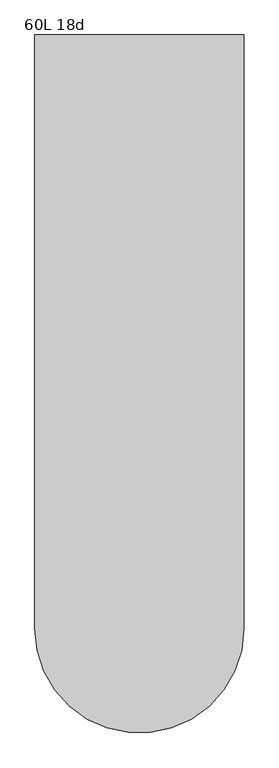
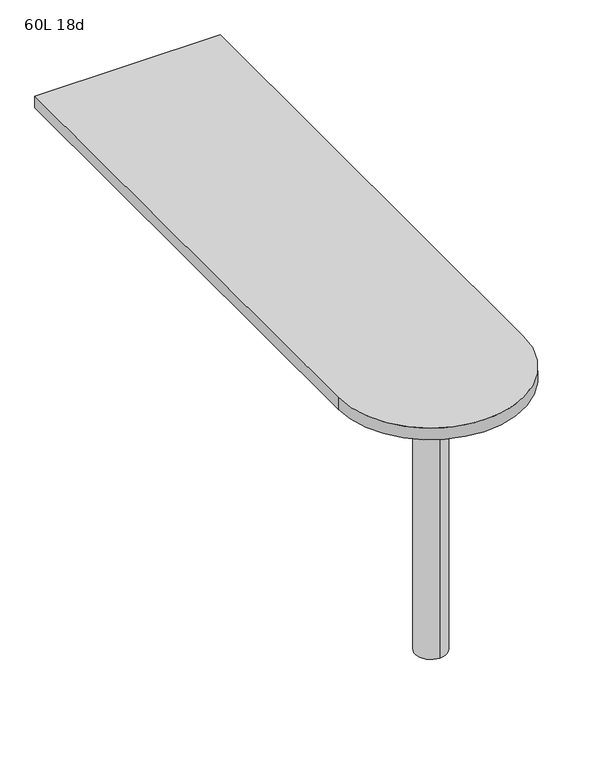
"""IFC4 building model written with IfcOpenShell, lengths in millimetres: furniture geometry, 60L 18d."""

import ifcopenshell
import ifcopenshell.guid

model = None  # the IFC model being written
_history = None  # IfcOwnerHistory: only IFC2X3 demands one
_inside = {}  # id of a spatial element -> (the spatial element, [elements in it])
_under = {}  # id of a project, library or spatial element -> (it, [spatial elements below it])
_declared = {}  # id of a project -> (the project, [libraries it declares])
_typed = {}  # id of a type object -> (the type object, [elements of that type])
_made_of = {}  # id of a material, layer set ... -> (it, [elements and type objects made of it])


def new_model(schema):
    """Start an empty IFC model of exactly this schema.

    Asked for "IFC4X3", IfcOpenShell would pick the latest addendum, in which some entities
    have other attributes; the version numbers below select the first issue.
    IFC2X3 requires an IfcOwnerHistory on every rooted entity: one is made here for all.
    """
    global model, _history
    if schema == "IFC4X3":
        model = ifcopenshell.file(schema_version=(4, 3, 0, 0))
    else:
        model = ifcopenshell.file(schema=schema)
    _inside.clear()
    _under.clear()
    _declared.clear()
    _typed.clear()
    _made_of.clear()
    _history = None
    if model.schema == "IFC2X3":
        org = make("IfcOrganization", Name="unknown")
        user = make(
            "IfcPersonAndOrganization",
            ThePerson=make("IfcPerson", FamilyName="unknown"),
            TheOrganization=org,
        )
        app = make(
            "IfcApplication",
            ApplicationDeveloper=org,
            Version="unknown",
            ApplicationFullName="unknown",
            ApplicationIdentifier="unknown",
        )
        _history = make(
            "IfcOwnerHistory",
            OwningUser=user,
            OwningApplication=app,
            ChangeAction="ADDED",
            CreationDate=0,
        )
    return model


def make(cls, **values):
    """One entity of the class cls with the attributes given. An attribute that is None is left unset."""
    return model.create_entity(
        cls, **{name: value for name, value in values.items() if value is not None}
    )


def rooted(cls, **values):
    """An entity with a GlobalId (a new one), such as an element, a storey or a relation."""
    return make(cls, GlobalId=ifcopenshell.guid.new(), OwnerHistory=_history, **values)


def si_unit(unit_type, name, prefix=None):
    """IfcSIUnit, for example si_unit("LENGTHUNIT", "METRE", prefix="MILLI")."""
    return make("IfcSIUnit", UnitType=unit_type, Prefix=prefix, Name=name)


def assignment(units):
    """IfcUnitAssignment: the units of a project."""
    return None if units is None else make("IfcUnitAssignment", Units=units)


def point(xyz):
    """IfcCartesianPoint."""
    return None if xyz is None else make("IfcCartesianPoint", Coordinates=xyz)


def direction(xyz):
    """IfcDirection."""
    return None if xyz is None else make("IfcDirection", DirectionRatios=xyz)


def frame(location, z_axis=None, x_axis=None):
    """IfcAxis2Placement3D, a coordinate frame: its origin and axes. An axis left out is left unset."""
    return make(
        "IfcAxis2Placement3D",
        Location=point(location),
        Axis=direction(z_axis),
        RefDirection=direction(x_axis),
    )


def frame_2d(location, x_axis=None):
    """IfcAxis2Placement2D, a coordinate frame in the plane: its origin and x axis."""
    return make(
        "IfcAxis2Placement2D", Location=point(location), RefDirection=direction(x_axis)
    )


def origin():
    """The frame at (0, 0, 0) with its axes left unset."""
    return frame((0.0, 0.0, 0.0))


def place(relative_to, where):
    """IfcLocalPlacement: puts the frame where relative to a parent placement (None: the world)."""
    return make(
        "IfcLocalPlacement", PlacementRelTo=relative_to, RelativePlacement=where
    )


def context(
    kind, dimensions, precision=None, world=None, true_north=None, identifier=None
):
    """IfcGeometricRepresentationContext, for example the 3D "Model" context."""
    return make(
        "IfcGeometricRepresentationContext",
        ContextIdentifier=identifier,
        ContextType=kind,
        CoordinateSpaceDimension=dimensions,
        Precision=precision,
        WorldCoordinateSystem=world,
        TrueNorth=true_north,
    )


def project(units=None, contexts=None):
    """IfcProject with its units and contexts."""
    return rooted(
        "IfcProject",
        Name="project",
        RepresentationContexts=contexts,
        UnitsInContext=assignment(units),
    )


def spatial(cls, under=None, at=None, **own):
    """A site, building, storey or space (cls), placed at a placement, below another one or the project."""
    s = rooted(cls, ObjectPlacement=at, **own)
    if under is not None:
        _under.setdefault(under.id(), (under, []))[1].append(s)
    return s


def polyline(points):
    """IfcPolyline through the points."""
    return make("IfcPolyline", Points=[point(p) for p in points])


def circle_curve(where, radius):
    """IfcCircle in the frame where."""
    return make("IfcCircle", Position=where, Radius=radius)


def trimmed(basis, trim1, trim2, sense, master):
    """IfcTrimmedCurve: the piece of a basis curve between two trims."""
    return make(
        "IfcTrimmedCurve",
        BasisCurve=basis,
        Trim1=trim1,
        Trim2=trim2,
        SenseAgreement=sense,
        MasterRepresentation=master,
    )


def segment(curve, same_sense, transition):
    """IfcCompositeCurveSegment."""
    return make(
        "IfcCompositeCurveSegment",
        Transition=transition,
        SameSense=same_sense,
        ParentCurve=curve,
    )


def composite_curve(segments, self_intersect=None):
    """IfcCompositeCurve: segments joined end to end."""
    return make("IfcCompositeCurve", Segments=segments, SelfIntersect=self_intersect)


def outline(outer, holes=None, kind="AREA"):
    """IfcArbitraryClosedProfileDef: a profile drawn as a closed curve; with holes, ...WithVoids."""
    if holes is None:
        return make("IfcArbitraryClosedProfileDef", ProfileType=kind, OuterCurve=outer)
    return make(
        "IfcArbitraryProfileDefWithVoids",
        ProfileType=kind,
        OuterCurve=outer,
        InnerCurves=holes,
    )


def extrude(swept, where, along, depth):
    """IfcExtrudedAreaSolid: the profile swept, set in the frame where, extruded along a direction by depth."""
    return make(
        "IfcExtrudedAreaSolid",
        SweptArea=swept,
        Position=where,
        ExtrudedDirection=direction(along),
        Depth=depth,
    )


def shape(context_of_items, identifier, shape_type, items):
    """IfcShapeRepresentation: the items that make up one representation, for example the "Body"."""
    return make(
        "IfcShapeRepresentation",
        ContextOfItems=context_of_items,
        RepresentationIdentifier=identifier,
        RepresentationType=shape_type,
        Items=items,
    )


def source(mapping_origin, context_of_items, identifier, shape_type, items):
    """IfcRepresentationMap: a shape defined once, which mapped items show again and again."""
    return make(
        "IfcRepresentationMap",
        MappingOrigin=mapping_origin,
        MappedRepresentation=shape(context_of_items, identifier, shape_type, items),
    )


def transform(
    local_origin,
    x_axis=None,
    y_axis=None,
    z_axis=None,
    scale=None,
    scale2=None,
    scale3=None,
    uniform=True,
):
    """IfcCartesianTransformationOperator3D, or its non-uniform kind. x_axis, y_axis, z_axis: its Axis1, 2, 3."""
    if uniform:
        return make(
            "IfcCartesianTransformationOperator3D",
            Axis1=direction(x_axis),
            Axis2=direction(y_axis),
            LocalOrigin=point(local_origin),
            Scale=scale,
            Axis3=direction(z_axis),
        )
    return make(
        "IfcCartesianTransformationOperator3DnonUniform",
        Axis1=direction(x_axis),
        Axis2=direction(y_axis),
        LocalOrigin=point(local_origin),
        Scale=scale,
        Axis3=direction(z_axis),
        Scale2=scale2,
        Scale3=scale3,
    )


def mapped(mapping_source, mapping_target):
    """IfcMappedItem: shows the shape of a source again, moved by a transform."""
    return make(
        "IfcMappedItem", MappingSource=mapping_source, MappingTarget=mapping_target
    )


def made_of(thing, what):
    """Note that an element or type object is made of a material, layer set ...; save() writes the relation."""
    if what is not None:
        _made_of.setdefault(what.id(), (what, []))[1].append(thing)
    return thing


def element(
    cls,
    number,
    at=None,
    inside=None,
    cuts=None,
    type_object=None,
    material=None,
    context=None,
    identifier="Body",
    shape_type=None,
    held_by="IfcProductDefinitionShape",
    body=None,
    shapes=None,
    **own,
):
    """One element of the class cls, such as IfcWall. Its Tag is "e" and its number.

    at: its placement. inside: the storey or other place that contains it. cuts: it is an
    opening in that element (IfcRelVoidsElement). A single representation is given by context,
    identifier, shape_type and body (its items); several are given by shapes. held_by: the class
    of the entity that holds the representations. save() writes the other relations.
    """
    e = rooted(cls, Tag="e%d" % number, ObjectPlacement=at, **own)
    if body is not None:
        shapes = [shape(context, identifier, shape_type, body)]
    if shapes is not None:
        e.Representation = make(held_by, Representations=shapes)
    if inside is not None:
        _inside.setdefault(inside.id(), (inside, []))[1].append(e)
    if cuts is not None:
        rooted(
            "IfcRelVoidsElement", RelatingBuildingElement=cuts, RelatedOpeningElement=e
        )
    if type_object is not None:
        _typed.setdefault(type_object.id(), (type_object, []))[1].append(e)
    return made_of(e, material)


def aggregate(whole, parts):
    """IfcRelAggregates: a whole, such as a stair, and the parts it consists of."""
    return rooted("IfcRelAggregates", RelatingObject=whole, RelatedObjects=parts)


def save(model, path):
    """Write the relations noted so far, then the file.

    IfcRelAggregates (storeys below a building ...), IfcRelContainedInSpatialStructure (elements
    in a storey), IfcRelDefinesByType, IfcRelAssociatesMaterial and IfcRelDeclares: one each for
    every whole, place, type object, material and project.
    """
    for whole, parts in _under.values():
        aggregate(whole, parts)
    for where, things in _inside.values():
        rooted(
            "IfcRelContainedInSpatialStructure",
            RelatedElements=things,
            RelatingStructure=where,
        )
    for kind, things in _typed.values():
        rooted("IfcRelDefinesByType", RelatedObjects=things, RelatingType=kind)
    for what, things in _made_of.values():
        rooted("IfcRelAssociatesMaterial", RelatedObjects=things, RelatingMaterial=what)
    for by, libraries in _declared.values():
        rooted("IfcRelDeclares", RelatingContext=by, RelatedDefinitions=libraries)
    model.write(path)


def plane_surface(at):
    """IfcPlane: the flat surface through the origin of the frame at, square to its z axis."""
    return make("IfcPlane", Position=at)


def cylinder_surface(at, radius):
    """IfcCylindricalSurface: all points at the distance radius from the z axis of the frame at."""
    return make("IfcCylindricalSurface", Position=at, Radius=radius)


def advanced_brep(points, edges, surfaces, faces):
    """IfcAdvancedBrep: a solid bounded by faces that lie on surfaces and meet in shared edges.

    An edge is (start, end): straight between two places in points (the first is 0);
    or (start, end, curve); or (start, end, curve, False) where it runs against its curve.
    A face is (place in surfaces, loops), or (place, loops, False) where it looks against
    its surface's normal. A loop lists edges by number (the first is 1), with a minus sign
    where the edge is run from its end to its start. The first loop is the outer one.
    """
    corners = [point(p) for p in points]
    vertices = [make("IfcVertexPoint", VertexGeometry=c) for c in corners]
    made = []
    for start, end, *more in edges:
        made.append(
            make(
                "IfcEdgeCurve",
                EdgeStart=vertices[start],
                EdgeEnd=vertices[end],
                EdgeGeometry=more[0] if more else make("IfcPolyline", Points=[corners[start], corners[end]]),
                SameSense=more[1] if len(more) > 1 else True,
            )
        )
    hull = []
    for where, loops, *sense in faces:
        bounds = []
        for j, loop in enumerate(loops):
            ring = [make("IfcOrientedEdge", EdgeElement=made[abs(k) - 1], Orientation=k > 0) for k in loop]
            bounds.append(
                make(
                    "IfcFaceOuterBound" if j == 0 else "IfcFaceBound",
                    Bound=make("IfcEdgeLoop", EdgeList=ring),
                    Orientation=True,
                )
            )
        hull.append(make("IfcAdvancedFace", Bounds=bounds, FaceSurface=surfaces[where], SameSense=sense[0] if sense else True))
    return make("IfcAdvancedBrep", Outer=make("IfcClosedShell", CfsFaces=hull))


def furniture_60l_18d_586fcb49(model_context):
    return source(origin(), model_context, "Body", "SolidModel", [
        advanced_brep(
        [(0.0, -495.3, 706.4375), (0.0, -571.5, 706.4375), (0.0, -533.4, 706.4375), (0.0, -495.3, 0.0), (0.0, -571.5, 0.0), (0.0, -533.4, 0.0)],
        [
            (0, 1, circle_curve(frame((0.0, -533.4, 706.4375), z_axis=(0.0, 0.0, 1.0), x_axis=(0.0, -1.0, 0.0)), 38.1)),
            (1, 2),
            (2, 0),
            (1, 0, circle_curve(frame((0.0, -533.4, 706.4375), z_axis=(0.0, 0.0, 1.0), x_axis=(0.0, -1.0, 0.0)), 38.1)),
            (3, 4, circle_curve(frame((0.0, -533.4, 0.0), z_axis=(0.0, 0.0, 1.0), x_axis=(0.0, -1.0, 0.0)), 38.1)),
            (4, 1),
            (0, 3),
            (4, 3, circle_curve(frame((0.0, -533.4, 0.0), z_axis=(0.0, 0.0, 1.0), x_axis=(0.0, -1.0, 0.0)), 38.1)),
            (5, 4),
            (3, 5),
        ],
        [
            plane_surface(frame((0.0, -533.4, 706.4375), z_axis=(0.0, 0.0, 1.0), x_axis=(0.0, -1.0, 0.0))),
            cylinder_surface(frame((0.0, -533.4, 889.623257), z_axis=(0.0, 0.0, -1.0), x_axis=(0.0, -1.0, 0.0)), 38.1),
            plane_surface(frame((0.0, -533.4, 0.0), z_axis=(0.0, 0.0, -1.0), x_axis=(0.0, -1.0, 0.0))),
        ],
        [
            (0, [[1, 2, 3]]),
            (0, [[4, -3, -2]]),
            (1, [[5, 6, -1, 7]]),
            (1, [[8, -7, -4, -6]]),
            (2, [[9, -5, 10]]),
            (2, [[-10, -8, -9]]),
        ],
    ),
        extrude(outline(composite_curve([segment(polyline([(-228.6, -533.4), (-228.6, 762.0), (228.6, 762.0), (228.6, -533.4)]), True, "CONTINUOUS"), segment(trimmed(circle_curve(frame_2d((0.0, -533.4)), 228.6), [point((228.6, -533.4))], [point((-228.6, -533.4))], False, "CARTESIAN"), True, "CONTINUOUS")], self_intersect=False)), frame((0.0, 0.0, 706.4375), z_axis=(0.0, 0.0, 1.0), x_axis=(1.0, 0.0, 0.0)), (0.0, 0.0, 1.0), 30.1625),
    ])


if __name__ == "__main__":
    model = new_model("IFC4")
    model_context = context("Model", 3, world=origin())
    ifc_project = project(units=[si_unit("LENGTHUNIT", "METRE", prefix="MILLI")], contexts=[model_context])
    site = spatial("IfcSite", under=ifc_project)
    building = spatial("IfcBuilding", under=site)
    placement = place(None, origin())
    furniture_60l_18d_shape = furniture_60l_18d_586fcb49(model_context)
    element("IfcFurniture", 1, ObjectType="60L 18d", at=placement, inside=building, context=model_context, shape_type="MappedRepresentation", body=[
        mapped(furniture_60l_18d_shape, transform((0.0, 0.0, 0.0), x_axis=(1.0, 0.0, 0.0), y_axis=(0.0, 1.0, 0.0), z_axis=(0.0, 0.0, 1.0))),
    ])
    save(model, "model.ifc")
